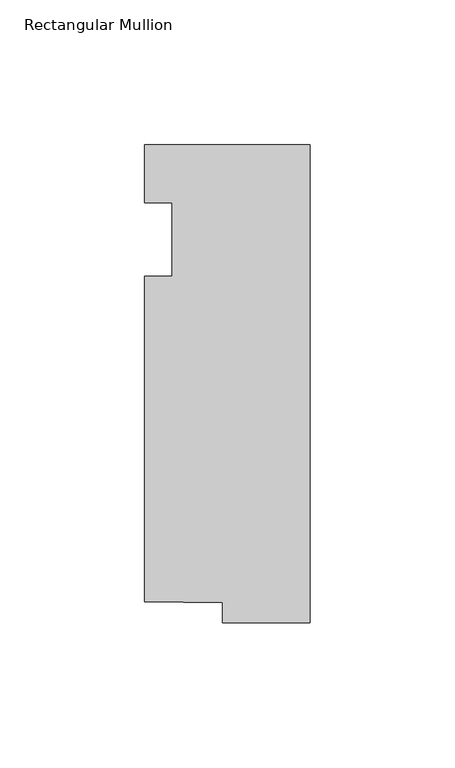
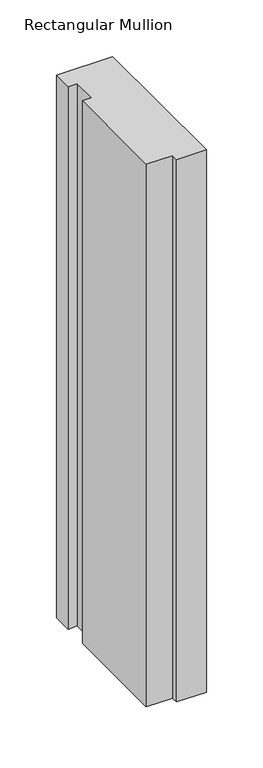
"""IFC4 building model written with IfcOpenShell, lengths in millimetres: member geometry, Rectangular Mullion."""

from ifc_helpers import new_model, si_unit, frame, origin, place, context, project, spatial, polyline, outline, extrude, source, transform, mapped, element, save


def rectangular_mullion_c676ff33(model_context):
    return source(origin(), model_context, "Body", "SweptSolid", [
        extrude(outline(polyline([(-57.15, 20.0421875), (0.0, 20.0421875), (0.0, -145.0578125), (-30.1646192, -145.0578125), (-30.1646192, -138.1494996), (-57.15, -137.7424054), (-57.15, -25.4), (-47.625, -25.4), (-47.625, 0.0), (-57.15, 0.0), (-57.15, 20.0421875)])), frame((0.0, 0.0, -584.2), z_axis=(0.0, 0.0, 1.0), x_axis=(1.0, 0.0, 0.0)), (0.0, 0.0, 1.0), 584.2),
    ])


if __name__ == "__main__":
    model = new_model("IFC4")
    model_context = context("Model", 3, world=origin())
    ifc_project = project(units=[si_unit("LENGTHUNIT", "METRE", prefix="MILLI")], contexts=[model_context])
    site = spatial("IfcSite", under=ifc_project)
    building = spatial("IfcBuilding", under=site)
    placement = place(None, origin())
    rectangular_mullion_shape = rectangular_mullion_c676ff33(model_context)
    element("IfcMember", 1, ObjectType="Rectangular Mullion", at=placement, inside=building, context=model_context, shape_type="MappedRepresentation", body=[
        mapped(rectangular_mullion_shape, transform((0.0, 0.0, 0.0), x_axis=(1.0, 0.0, 0.0), y_axis=(0.0, 1.0, 0.0), z_axis=(0.0, 0.0, 1.0))),
    ])
    save(model, "model.ifc")
